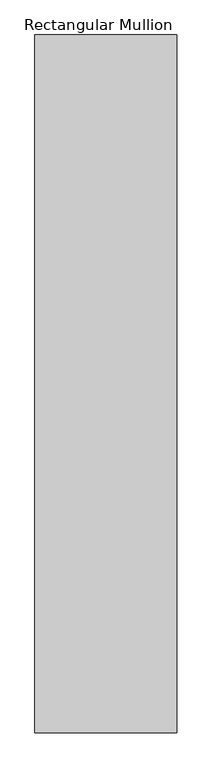
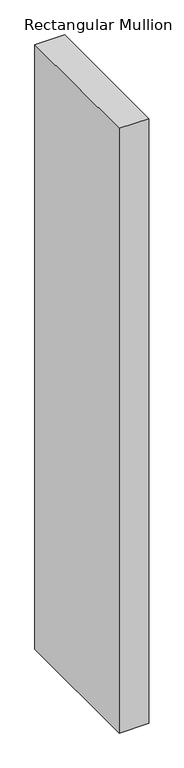
"""IFC4 building model written with IfcOpenShell, lengths in millimetres: member geometry, Rectangular Mullion."""

import ifcopenshell
import ifcopenshell.guid

model = None  # the IFC model being written
_history = None  # IfcOwnerHistory: only IFC2X3 demands one
_inside = {}  # id of a spatial element -> (the spatial element, [elements in it])
_under = {}  # id of a project, library or spatial element -> (it, [spatial elements below it])
_declared = {}  # id of a project -> (the project, [libraries it declares])
_typed = {}  # id of a type object -> (the type object, [elements of that type])
_made_of = {}  # id of a material, layer set ... -> (it, [elements and type objects made of it])


def new_model(schema):
    """Start an empty IFC model of exactly this schema.

    Asked for "IFC4X3", IfcOpenShell would pick the latest addendum, in which some entities
    have other attributes; the version numbers below select the first issue.
    IFC2X3 requires an IfcOwnerHistory on every rooted entity: one is made here for all.
    """
    global model, _history
    if schema == "IFC4X3":
        model = ifcopenshell.file(schema_version=(4, 3, 0, 0))
    else:
        model = ifcopenshell.file(schema=schema)
    _inside.clear()
    _under.clear()
    _declared.clear()
    _typed.clear()
    _made_of.clear()
    _history = None
    if model.schema == "IFC2X3":
        org = make("IfcOrganization", Name="unknown")
        user = make(
            "IfcPersonAndOrganization",
            ThePerson=make("IfcPerson", FamilyName="unknown"),
            TheOrganization=org,
        )
        app = make(
            "IfcApplication",
            ApplicationDeveloper=org,
            Version="unknown",
            ApplicationFullName="unknown",
            ApplicationIdentifier="unknown",
        )
        _history = make(
            "IfcOwnerHistory",
            OwningUser=user,
            OwningApplication=app,
            ChangeAction="ADDED",
            CreationDate=0,
        )
    return model


def make(cls, **values):
    """One entity of the class cls with the attributes given. An attribute that is None is left unset."""
    return model.create_entity(
        cls, **{name: value for name, value in values.items() if value is not None}
    )


def rooted(cls, **values):
    """An entity with a GlobalId (a new one), such as an element, a storey or a relation."""
    return make(cls, GlobalId=ifcopenshell.guid.new(), OwnerHistory=_history, **values)


def si_unit(unit_type, name, prefix=None):
    """IfcSIUnit, for example si_unit("LENGTHUNIT", "METRE", prefix="MILLI")."""
    return make("IfcSIUnit", UnitType=unit_type, Prefix=prefix, Name=name)


def assignment(units):
    """IfcUnitAssignment: the units of a project."""
    return None if units is None else make("IfcUnitAssignment", Units=units)


def point(xyz):
    """IfcCartesianPoint."""
    return None if xyz is None else make("IfcCartesianPoint", Coordinates=xyz)


def direction(xyz):
    """IfcDirection."""
    return None if xyz is None else make("IfcDirection", DirectionRatios=xyz)


def frame(location, z_axis=None, x_axis=None):
    """IfcAxis2Placement3D, a coordinate frame: its origin and axes. An axis left out is left unset."""
    return make(
        "IfcAxis2Placement3D",
        Location=point(location),
        Axis=direction(z_axis),
        RefDirection=direction(x_axis),
    )


def origin():
    """The frame at (0, 0, 0) with its axes left unset."""
    return frame((0.0, 0.0, 0.0))


def place(relative_to, where):
    """IfcLocalPlacement: puts the frame where relative to a parent placement (None: the world)."""
    return make(
        "IfcLocalPlacement", PlacementRelTo=relative_to, RelativePlacement=where
    )


def context(
    kind, dimensions, precision=None, world=None, true_north=None, identifier=None
):
    """IfcGeometricRepresentationContext, for example the 3D "Model" context."""
    return make(
        "IfcGeometricRepresentationContext",
        ContextIdentifier=identifier,
        ContextType=kind,
        CoordinateSpaceDimension=dimensions,
        Precision=precision,
        WorldCoordinateSystem=world,
        TrueNorth=true_north,
    )


def project(units=None, contexts=None):
    """IfcProject with its units and contexts."""
    return rooted(
        "IfcProject",
        Name="project",
        RepresentationContexts=contexts,
        UnitsInContext=assignment(units),
    )


def spatial(cls, under=None, at=None, **own):
    """A site, building, storey or space (cls), placed at a placement, below another one or the project."""
    s = rooted(cls, ObjectPlacement=at, **own)
    if under is not None:
        _under.setdefault(under.id(), (under, []))[1].append(s)
    return s


def polyline(points):
    """IfcPolyline through the points."""
    return make("IfcPolyline", Points=[point(p) for p in points])


def outline(outer, holes=None, kind="AREA"):
    """IfcArbitraryClosedProfileDef: a profile drawn as a closed curve; with holes, ...WithVoids."""
    if holes is None:
        return make("IfcArbitraryClosedProfileDef", ProfileType=kind, OuterCurve=outer)
    return make(
        "IfcArbitraryProfileDefWithVoids",
        ProfileType=kind,
        OuterCurve=outer,
        InnerCurves=holes,
    )


def extrude(swept, where, along, depth):
    """IfcExtrudedAreaSolid: the profile swept, set in the frame where, extruded along a direction by depth."""
    return make(
        "IfcExtrudedAreaSolid",
        SweptArea=swept,
        Position=where,
        ExtrudedDirection=direction(along),
        Depth=depth,
    )


def shape(context_of_items, identifier, shape_type, items):
    """IfcShapeRepresentation: the items that make up one representation, for example the "Body"."""
    return make(
        "IfcShapeRepresentation",
        ContextOfItems=context_of_items,
        RepresentationIdentifier=identifier,
        RepresentationType=shape_type,
        Items=items,
    )


def source(mapping_origin, context_of_items, identifier, shape_type, items):
    """IfcRepresentationMap: a shape defined once, which mapped items show again and again."""
    return make(
        "IfcRepresentationMap",
        MappingOrigin=mapping_origin,
        MappedRepresentation=shape(context_of_items, identifier, shape_type, items),
    )


def transform(
    local_origin,
    x_axis=None,
    y_axis=None,
    z_axis=None,
    scale=None,
    scale2=None,
    scale3=None,
    uniform=True,
):
    """IfcCartesianTransformationOperator3D, or its non-uniform kind. x_axis, y_axis, z_axis: its Axis1, 2, 3."""
    if uniform:
        return make(
            "IfcCartesianTransformationOperator3D",
            Axis1=direction(x_axis),
            Axis2=direction(y_axis),
            LocalOrigin=point(local_origin),
            Scale=scale,
            Axis3=direction(z_axis),
        )
    return make(
        "IfcCartesianTransformationOperator3DnonUniform",
        Axis1=direction(x_axis),
        Axis2=direction(y_axis),
        LocalOrigin=point(local_origin),
        Scale=scale,
        Axis3=direction(z_axis),
        Scale2=scale2,
        Scale3=scale3,
    )


def mapped(mapping_source, mapping_target):
    """IfcMappedItem: shows the shape of a source again, moved by a transform."""
    return make(
        "IfcMappedItem", MappingSource=mapping_source, MappingTarget=mapping_target
    )


def made_of(thing, what):
    """Note that an element or type object is made of a material, layer set ...; save() writes the relation."""
    if what is not None:
        _made_of.setdefault(what.id(), (what, []))[1].append(thing)
    return thing


def element(
    cls,
    number,
    at=None,
    inside=None,
    cuts=None,
    type_object=None,
    material=None,
    context=None,
    identifier="Body",
    shape_type=None,
    held_by="IfcProductDefinitionShape",
    body=None,
    shapes=None,
    **own,
):
    """One element of the class cls, such as IfcWall. Its Tag is "e" and its number.

    at: its placement. inside: the storey or other place that contains it. cuts: it is an
    opening in that element (IfcRelVoidsElement). A single representation is given by context,
    identifier, shape_type and body (its items); several are given by shapes. held_by: the class
    of the entity that holds the representations. save() writes the other relations.
    """
    e = rooted(cls, Tag="e%d" % number, ObjectPlacement=at, **own)
    if body is not None:
        shapes = [shape(context, identifier, shape_type, body)]
    if shapes is not None:
        e.Representation = make(held_by, Representations=shapes)
    if inside is not None:
        _inside.setdefault(inside.id(), (inside, []))[1].append(e)
    if cuts is not None:
        rooted(
            "IfcRelVoidsElement", RelatingBuildingElement=cuts, RelatedOpeningElement=e
        )
    if type_object is not None:
        _typed.setdefault(type_object.id(), (type_object, []))[1].append(e)
    return made_of(e, material)


def aggregate(whole, parts):
    """IfcRelAggregates: a whole, such as a stair, and the parts it consists of."""
    return rooted("IfcRelAggregates", RelatingObject=whole, RelatedObjects=parts)


def save(model, path):
    """Write the relations noted so far, then the file.

    IfcRelAggregates (storeys below a building ...), IfcRelContainedInSpatialStructure (elements
    in a storey), IfcRelDefinesByType, IfcRelAssociatesMaterial and IfcRelDeclares: one each for
    every whole, place, type object, material and project.
    """
    for whole, parts in _under.values():
        aggregate(whole, parts)
    for where, things in _inside.values():
        rooted(
            "IfcRelContainedInSpatialStructure",
            RelatedElements=things,
            RelatingStructure=where,
        )
    for kind, things in _typed.values():
        rooted("IfcRelDefinesByType", RelatedObjects=things, RelatingType=kind)
    for what, things in _made_of.values():
        rooted("IfcRelAssociatesMaterial", RelatedObjects=things, RelatingMaterial=what)
    for by, libraries in _declared.values():
        rooted("IfcRelDeclares", RelatingContext=by, RelatedDefinitions=libraries)
    model.write(path)


def rectangular_mullion_9e5aaf1a(model_context):
    return source(origin(), model_context, "Body", "SweptSolid", [
        extrude(outline(polyline([(0.0, 1600.0), (0.0, -1600.0), (-650.0, -1600.0), (-650.0, 1600.0), (0.0, 1600.0)])), frame((0.0, 0.0, -14020.0), z_axis=(0.0, 0.0, 1.0), x_axis=(1.0, 0.0, 0.0)), (0.0, 0.0, 1.0), 14020.0),
    ])


if __name__ == "__main__":
    model = new_model("IFC4")
    model_context = context("Model", 3, world=origin())
    ifc_project = project(units=[si_unit("LENGTHUNIT", "METRE", prefix="MILLI")], contexts=[model_context])
    site = spatial("IfcSite", under=ifc_project)
    building = spatial("IfcBuilding", under=site)
    placement = place(None, origin())
    rectangular_mullion_shape = rectangular_mullion_9e5aaf1a(model_context)
    element("IfcMember", 1, ObjectType="Rectangular Mullion", at=placement, inside=building, context=model_context, shape_type="MappedRepresentation", body=[
        mapped(rectangular_mullion_shape, transform((0.0, 0.0, 0.0), x_axis=(1.0, 0.0, 0.0), y_axis=(0.0, 1.0, 0.0), z_axis=(0.0, 0.0, 1.0))),
    ])
    save(model, "model.ifc")
